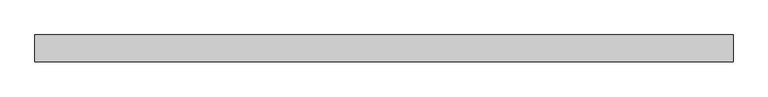
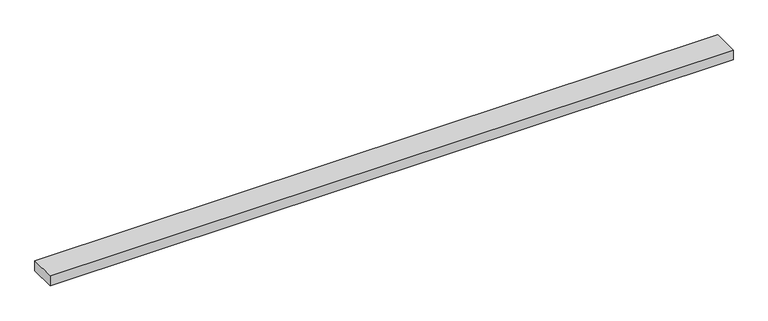
"""IFC4 building model written with IfcOpenShell, lengths in millimetres: beam geometry."""

import ifcopenshell
import ifcopenshell.guid

model = None  # the IFC model being written
_history = None  # IfcOwnerHistory: only IFC2X3 demands one
_inside = {}  # id of a spatial element -> (the spatial element, [elements in it])
_under = {}  # id of a project, library or spatial element -> (it, [spatial elements below it])
_declared = {}  # id of a project -> (the project, [libraries it declares])
_typed = {}  # id of a type object -> (the type object, [elements of that type])
_made_of = {}  # id of a material, layer set ... -> (it, [elements and type objects made of it])


def new_model(schema):
    """Start an empty IFC model of exactly this schema.

    Asked for "IFC4X3", IfcOpenShell would pick the latest addendum, in which some entities
    have other attributes; the version numbers below select the first issue.
    IFC2X3 requires an IfcOwnerHistory on every rooted entity: one is made here for all.
    """
    global model, _history
    if schema == "IFC4X3":
        model = ifcopenshell.file(schema_version=(4, 3, 0, 0))
    else:
        model = ifcopenshell.file(schema=schema)
    _inside.clear()
    _under.clear()
    _declared.clear()
    _typed.clear()
    _made_of.clear()
    _history = None
    if model.schema == "IFC2X3":
        org = make("IfcOrganization", Name="unknown")
        user = make(
            "IfcPersonAndOrganization",
            ThePerson=make("IfcPerson", FamilyName="unknown"),
            TheOrganization=org,
        )
        app = make(
            "IfcApplication",
            ApplicationDeveloper=org,
            Version="unknown",
            ApplicationFullName="unknown",
            ApplicationIdentifier="unknown",
        )
        _history = make(
            "IfcOwnerHistory",
            OwningUser=user,
            OwningApplication=app,
            ChangeAction="ADDED",
            CreationDate=0,
        )
    return model


def make(cls, **values):
    """One entity of the class cls with the attributes given. An attribute that is None is left unset."""
    return model.create_entity(
        cls, **{name: value for name, value in values.items() if value is not None}
    )


def rooted(cls, **values):
    """An entity with a GlobalId (a new one), such as an element, a storey or a relation."""
    return make(cls, GlobalId=ifcopenshell.guid.new(), OwnerHistory=_history, **values)


def si_unit(unit_type, name, prefix=None):
    """IfcSIUnit, for example si_unit("LENGTHUNIT", "METRE", prefix="MILLI")."""
    return make("IfcSIUnit", UnitType=unit_type, Prefix=prefix, Name=name)


def assignment(units):
    """IfcUnitAssignment: the units of a project."""
    return None if units is None else make("IfcUnitAssignment", Units=units)


def point(xyz):
    """IfcCartesianPoint."""
    return None if xyz is None else make("IfcCartesianPoint", Coordinates=xyz)


def direction(xyz):
    """IfcDirection."""
    return None if xyz is None else make("IfcDirection", DirectionRatios=xyz)


def frame(location, z_axis=None, x_axis=None):
    """IfcAxis2Placement3D, a coordinate frame: its origin and axes. An axis left out is left unset."""
    return make(
        "IfcAxis2Placement3D",
        Location=point(location),
        Axis=direction(z_axis),
        RefDirection=direction(x_axis),
    )


def origin():
    """The frame at (0, 0, 0) with its axes left unset."""
    return frame((0.0, 0.0, 0.0))


def place(relative_to, where):
    """IfcLocalPlacement: puts the frame where relative to a parent placement (None: the world)."""
    return make(
        "IfcLocalPlacement", PlacementRelTo=relative_to, RelativePlacement=where
    )


def context(
    kind, dimensions, precision=None, world=None, true_north=None, identifier=None
):
    """IfcGeometricRepresentationContext, for example the 3D "Model" context."""
    return make(
        "IfcGeometricRepresentationContext",
        ContextIdentifier=identifier,
        ContextType=kind,
        CoordinateSpaceDimension=dimensions,
        Precision=precision,
        WorldCoordinateSystem=world,
        TrueNorth=true_north,
    )


def project(units=None, contexts=None):
    """IfcProject with its units and contexts."""
    return rooted(
        "IfcProject",
        Name="project",
        RepresentationContexts=contexts,
        UnitsInContext=assignment(units),
    )


def spatial(cls, under=None, at=None, **own):
    """A site, building, storey or space (cls), placed at a placement, below another one or the project."""
    s = rooted(cls, ObjectPlacement=at, **own)
    if under is not None:
        _under.setdefault(under.id(), (under, []))[1].append(s)
    return s


def polyline(points):
    """IfcPolyline through the points."""
    return make("IfcPolyline", Points=[point(p) for p in points])


def outline(outer, holes=None, kind="AREA"):
    """IfcArbitraryClosedProfileDef: a profile drawn as a closed curve; with holes, ...WithVoids."""
    if holes is None:
        return make("IfcArbitraryClosedProfileDef", ProfileType=kind, OuterCurve=outer)
    return make(
        "IfcArbitraryProfileDefWithVoids",
        ProfileType=kind,
        OuterCurve=outer,
        InnerCurves=holes,
    )


def extrude(swept, where, along, depth):
    """IfcExtrudedAreaSolid: the profile swept, set in the frame where, extruded along a direction by depth."""
    return make(
        "IfcExtrudedAreaSolid",
        SweptArea=swept,
        Position=where,
        ExtrudedDirection=direction(along),
        Depth=depth,
    )


def shape(context_of_items, identifier, shape_type, items):
    """IfcShapeRepresentation: the items that make up one representation, for example the "Body"."""
    return make(
        "IfcShapeRepresentation",
        ContextOfItems=context_of_items,
        RepresentationIdentifier=identifier,
        RepresentationType=shape_type,
        Items=items,
    )


def source(mapping_origin, context_of_items, identifier, shape_type, items):
    """IfcRepresentationMap: a shape defined once, which mapped items show again and again."""
    return make(
        "IfcRepresentationMap",
        MappingOrigin=mapping_origin,
        MappedRepresentation=shape(context_of_items, identifier, shape_type, items),
    )


def transform(
    local_origin,
    x_axis=None,
    y_axis=None,
    z_axis=None,
    scale=None,
    scale2=None,
    scale3=None,
    uniform=True,
):
    """IfcCartesianTransformationOperator3D, or its non-uniform kind. x_axis, y_axis, z_axis: its Axis1, 2, 3."""
    if uniform:
        return make(
            "IfcCartesianTransformationOperator3D",
            Axis1=direction(x_axis),
            Axis2=direction(y_axis),
            LocalOrigin=point(local_origin),
            Scale=scale,
            Axis3=direction(z_axis),
        )
    return make(
        "IfcCartesianTransformationOperator3DnonUniform",
        Axis1=direction(x_axis),
        Axis2=direction(y_axis),
        LocalOrigin=point(local_origin),
        Scale=scale,
        Axis3=direction(z_axis),
        Scale2=scale2,
        Scale3=scale3,
    )


def mapped(mapping_source, mapping_target):
    """IfcMappedItem: shows the shape of a source again, moved by a transform."""
    return make(
        "IfcMappedItem", MappingSource=mapping_source, MappingTarget=mapping_target
    )


def made_of(thing, what):
    """Note that an element or type object is made of a material, layer set ...; save() writes the relation."""
    if what is not None:
        _made_of.setdefault(what.id(), (what, []))[1].append(thing)
    return thing


def element(
    cls,
    number,
    at=None,
    inside=None,
    cuts=None,
    type_object=None,
    material=None,
    context=None,
    identifier="Body",
    shape_type=None,
    held_by="IfcProductDefinitionShape",
    body=None,
    shapes=None,
    **own,
):
    """One element of the class cls, such as IfcWall. Its Tag is "e" and its number.

    at: its placement. inside: the storey or other place that contains it. cuts: it is an
    opening in that element (IfcRelVoidsElement). A single representation is given by context,
    identifier, shape_type and body (its items); several are given by shapes. held_by: the class
    of the entity that holds the representations. save() writes the other relations.
    """
    e = rooted(cls, Tag="e%d" % number, ObjectPlacement=at, **own)
    if body is not None:
        shapes = [shape(context, identifier, shape_type, body)]
    if shapes is not None:
        e.Representation = make(held_by, Representations=shapes)
    if inside is not None:
        _inside.setdefault(inside.id(), (inside, []))[1].append(e)
    if cuts is not None:
        rooted(
            "IfcRelVoidsElement", RelatingBuildingElement=cuts, RelatedOpeningElement=e
        )
    if type_object is not None:
        _typed.setdefault(type_object.id(), (type_object, []))[1].append(e)
    return made_of(e, material)


def aggregate(whole, parts):
    """IfcRelAggregates: a whole, such as a stair, and the parts it consists of."""
    return rooted("IfcRelAggregates", RelatingObject=whole, RelatedObjects=parts)


def save(model, path):
    """Write the relations noted so far, then the file.

    IfcRelAggregates (storeys below a building ...), IfcRelContainedInSpatialStructure (elements
    in a storey), IfcRelDefinesByType, IfcRelAssociatesMaterial and IfcRelDeclares: one each for
    every whole, place, type object, material and project.
    """
    for whole, parts in _under.values():
        aggregate(whole, parts)
    for where, things in _inside.values():
        rooted(
            "IfcRelContainedInSpatialStructure",
            RelatedElements=things,
            RelatingStructure=where,
        )
    for kind, things in _typed.values():
        rooted("IfcRelDefinesByType", RelatedObjects=things, RelatingType=kind)
    for what, things in _made_of.values():
        rooted("IfcRelAssociatesMaterial", RelatedObjects=things, RelatingMaterial=what)
    for by, libraries in _declared.values():
        rooted("IfcRelDeclares", RelatingContext=by, RelatedDefinitions=libraries)
    model.write(path)


def beam_696ea133(model_context):
    return source(origin(), model_context, "Body", "SweptSolid", [
        extrude(outline(polyline([(908.2, -35.0), (-908.2, -35.0), (-908.2, 35.0), (908.2, 35.0), (908.2, -35.0)])), frame((0.0, 0.0, -14.0), z_axis=(0.0, 0.0, 1.0), x_axis=(1.0, 0.0, 0.0)), (0.0, 0.0, 1.0), 28.0),
    ])


if __name__ == "__main__":
    model = new_model("IFC4")
    model_context = context("Model", 3, world=origin())
    ifc_project = project(units=[si_unit("LENGTHUNIT", "METRE", prefix="MILLI")], contexts=[model_context])
    site = spatial("IfcSite", under=ifc_project)
    building = spatial("IfcBuilding", under=site)
    placement = place(None, origin())
    beam_shape = beam_696ea133(model_context)
    element("IfcBeam", 1, at=placement, inside=building, context=model_context, shape_type="MappedRepresentation", body=[
        mapped(beam_shape, transform((0.0, 0.0, 0.0), x_axis=(1.0, 0.0, 0.0), y_axis=(0.0, 1.0, 0.0), z_axis=(0.0, 0.0, 1.0))),
    ])
    save(model, "model.ifc")
